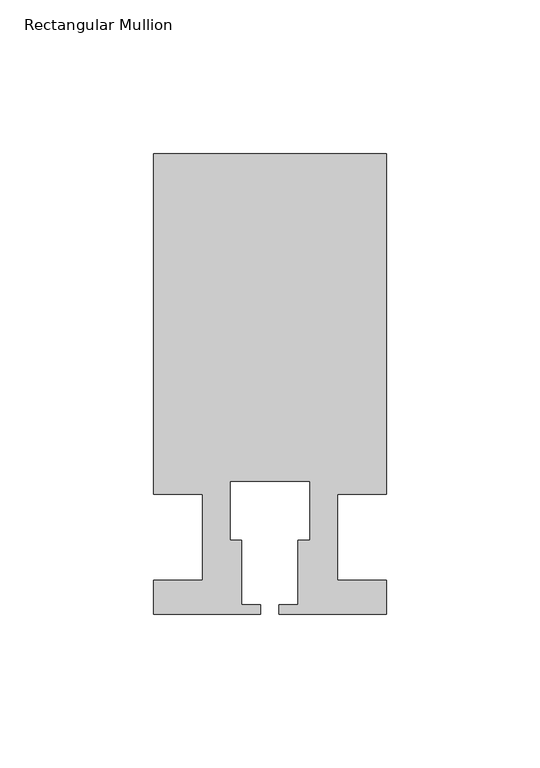
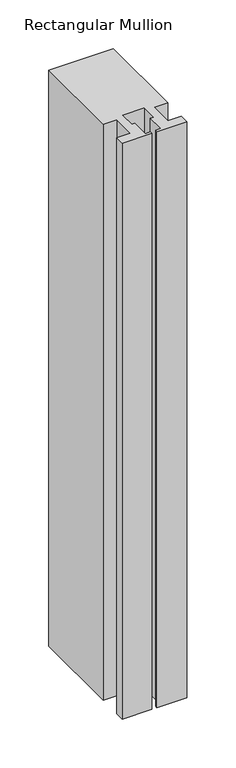
"""IFC4 building model written with IfcOpenShell, lengths in millimetres: member geometry, Rectangular Mullion."""

from ifc_helpers import new_model, si_unit, frame, origin, place, context, project, spatial, polyline, outline, extrude, source, transform, mapped, element, save


def rectangular_mullion_34a66db1(model_context):
    return source(origin(), model_context, "Body", "SweptSolid", [
        extrude(outline(polyline([(37.9999914, 124.9960123), (37.9999914, 13.9960123), (21.9999651, 13.9960123), (21.9999651, -14.0039877), (37.9999896, -14.0039877), (37.9999896, -25.0039877), (2.9999651, -25.0039877), (2.9999651, -22.0039877), (9.1999651, -22.0039877), (9.1999651, -1.0039877), (12.9999651, -1.0039877), (12.9999651, 18.1960075), (-12.9999633, 18.1960075), (-12.9999633, -1.0039877), (-9.1999633, -1.0039877), (-9.1999633, -22.0039877), (-2.9999896, -22.0039877), (-2.9999896, -25.0039877), (-37.9999896, -25.0039877), (-37.9999896, -14.0039877), (-21.9999633, -14.0039877), (-21.9999633, 13.9959029), (-37.9999896, 13.9959029), (-37.9999896, 124.9960123), (37.9999914, 124.9960123)])), frame((0.0, 0.0, -718.958673), z_axis=(0.0, 0.0, 1.0), x_axis=(1.0, 0.0, 0.0)), (0.0, 0.0, 1.0), 718.958673),
    ])


if __name__ == "__main__":
    model = new_model("IFC4")
    model_context = context("Model", 3, world=origin())
    ifc_project = project(units=[si_unit("LENGTHUNIT", "METRE", prefix="MILLI")], contexts=[model_context])
    site = spatial("IfcSite", under=ifc_project)
    building = spatial("IfcBuilding", under=site)
    placement = place(None, origin())
    rectangular_mullion_shape = rectangular_mullion_34a66db1(model_context)
    element("IfcMember", 1, ObjectType="Rectangular Mullion", at=placement, inside=building, context=model_context, shape_type="MappedRepresentation", body=[
        mapped(rectangular_mullion_shape, transform((0.0, 0.0, 0.0), x_axis=(1.0, 0.0, 0.0), y_axis=(0.0, 1.0, 0.0), z_axis=(0.0, 0.0, 1.0))),
    ])
    save(model, "model.ifc")
